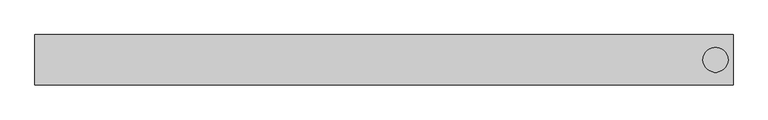
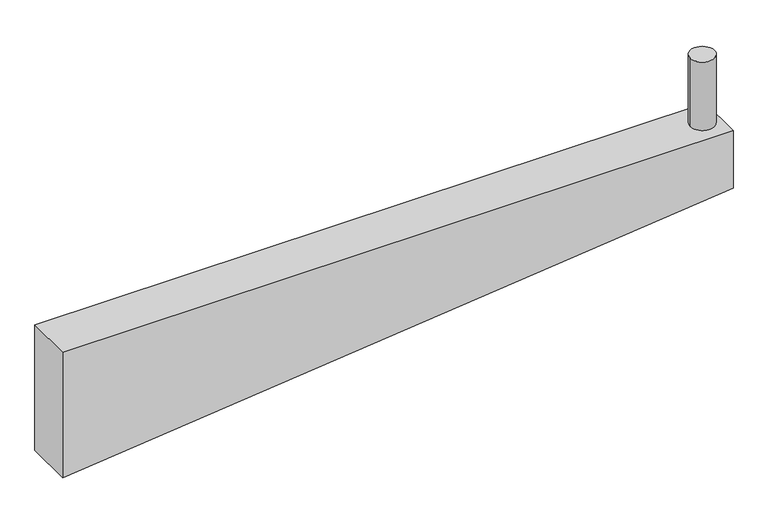
"""IFC4 building model written with IfcOpenShell, lengths in millimetres: beam geometry."""

from ifc_helpers import new_model, si_unit, point, frame, frame_2d, origin, origin_with_axes, place, context, project, spatial, polyline, circle_curve, trimmed, segment, composite_curve, outline, extrude, source, transform, mapped, element, save


def beam_2f89c437(model_context):
    return source(origin(), model_context, "Body", "SweptSolid", [
        extrude(outline(composite_curve([segment(trimmed(circle_curve(frame_2d((1320.0, 0.0)), 50.0), [point((1270.0, 0.0))], [point((1370.0, 0.0))], False, "CARTESIAN"), True, "CONTINUOUS"), segment(trimmed(circle_curve(frame_2d((1320.0, 0.0)), 50.0), [point((1370.0, 0.0))], [point((1270.0, 0.0))], False, "CARTESIAN"), True, "CONTINUOUS")], self_intersect=False)), origin_with_axes(), (0.0, 0.0, 1.0), 300.0),
        extrude(outline(polyline([(-250.0, 1390.0), (0.0, 1390.0), (0.0, -1390.0), (-550.0, -1390.0), (-250.0, 1390.0)])), frame((0.0, -100.0, 0.0), z_axis=(0.0, 1.0, 0.0), x_axis=(0.0, 0.0, 1.0)), (0.0, 0.0, 1.0), 200.0),
    ])


if __name__ == "__main__":
    model = new_model("IFC4")
    model_context = context("Model", 3, world=origin())
    ifc_project = project(units=[si_unit("LENGTHUNIT", "METRE", prefix="MILLI")], contexts=[model_context])
    site = spatial("IfcSite", under=ifc_project)
    building = spatial("IfcBuilding", under=site)
    placement = place(None, origin())
    beam_shape = beam_2f89c437(model_context)
    element("IfcBeam", 1, at=placement, inside=building, context=model_context, shape_type="MappedRepresentation", body=[
        mapped(beam_shape, transform((0.0, 0.0, 0.0), x_axis=(1.0, 0.0, 0.0), y_axis=(0.0, 1.0, 0.0), z_axis=(0.0, 0.0, 1.0))),
    ])
    save(model, "model.ifc")
